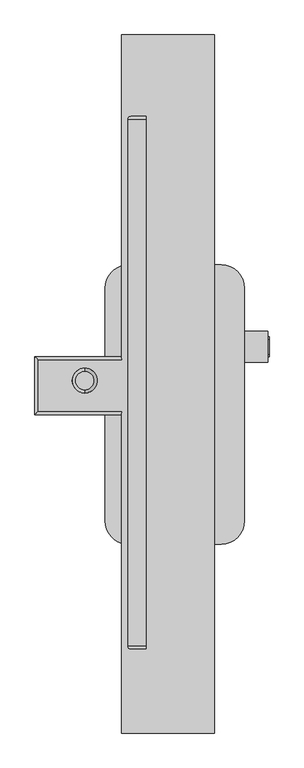
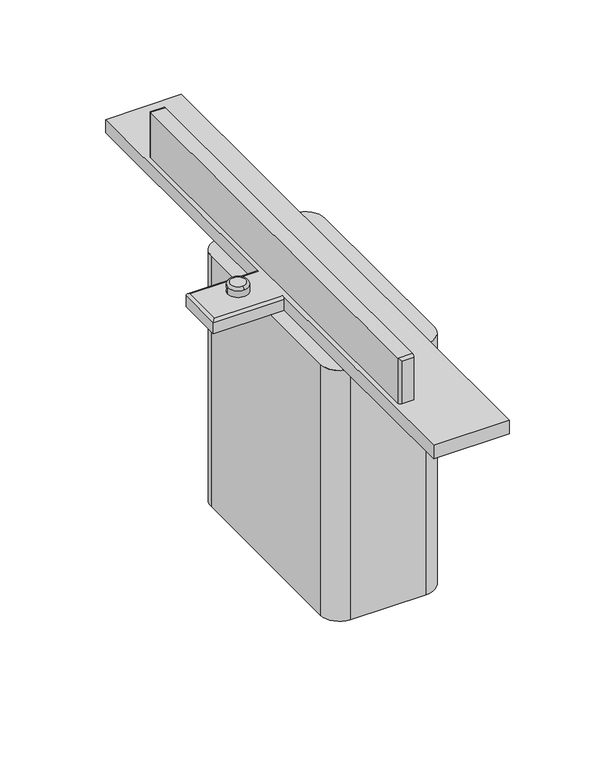
"""IFC4 building model written with IfcOpenShell, lengths in millimetres: proxy geometry."""

from ifc_helpers import new_model, si_unit, point, frame, origin, place, context, project, spatial, circle_curve, ellipse_curve, trimmed, source, transform, mapped, element, save
from ifc_brep_helpers import plane_surface, cylinder_surface, revolved_surface, advanced_brep


def generic_models_c99ebbe6(model_context):
    return source(origin(), model_context, "Body", "AdvancedBrep", [
        advanced_brep(
        [(151.5872026, 11.9965003, -216.9289011), (154.7622026, 11.9965003, -216.9289011), (154.7622026, 56.4465003, -216.9289011), (151.5872026, 56.4465003, -216.9289011), (151.5872026, 18.3465003, -150.7628985), (154.7622026, 18.3465003, -150.7628985), (154.7622026, 50.0965003, -150.7628985), (151.5872026, 50.0965003, -150.7628985), (-275.5153025, -39.8142339, 38.1), (-275.5153025, -39.8142339, 57.15), (-248.5373227, -12.8362541, 57.15), (-221.5593429, -39.8142339, 57.15), (-221.5593429, -39.8142339, 38.1), (-248.5373227, -66.7922137, 57.15), (-248.5373227, -60.4422137, 63.5), (-248.5373227, -19.1862541, 63.5), (-227.9093429, -39.8142339, 63.5), (100.7872026, 68.4430006, -257.8019647), (100.7872026, 68.4430006, -119.3950166), (151.5872026, 68.4430006, -119.3950166), (151.5872026, 68.4430006, -257.8019647), (100.7872026, 0.0, -257.8019647), (151.5872026, 0.0, -257.8019647), (100.7872026, 0.0, -119.3950166), (151.5872026, 0.0, -119.3950166), (-147.7522273, 536.8860503, 158.75), (-147.7522273, 536.8860503, 38.1), (-154.1022273, 530.5360503, 38.1), (-154.1022273, 530.5360503, 165.1), (-115.0360221, 530.5360503, 165.1), (-115.0360221, 536.8860503, 158.75), (-115.0360221, -618.9834289, 165.1), (-115.0360221, -625.3334289, 158.75), (-115.0360221, -625.3334289, 38.1), (-115.0360221, 536.8860503, 38.1), (-154.1022273, -618.9834289, 165.1), (-154.1022273, -618.9834289, 38.1), (-147.7522273, -625.3334289, 38.1), (-147.7522273, -625.3334289, 158.75), (-357.5538462, -114.2999996, 31.75), (-168.1203429, -114.2999996, 31.75), (-168.1203429, -107.9499996, 38.1), (-351.2038462, -107.9499996, 38.1), (-357.5538462, 12.7000004, 31.75), (-351.2038462, 6.3500004, 38.1), (-168.1203429, 6.3500004, 38.1), (-168.1203429, 12.7000004, 31.75), (-357.5538462, -114.2999996, 0.0), (-204.0127974, -114.2999996, 0.0), (-168.1203429, -114.2999996, 0.0), (-357.5538462, 12.7000004, 0.0), (-168.1203429, 12.7000004, 0.0), (-204.0127974, 12.7000004, 0.0), (-168.1203429, 210.7170131, 0.0), (-204.0127974, 162.1536, 0.0), (-168.1203429, 714.9766525, 38.1), (-168.1203429, 714.9766525, 0.0), (-153.2127974, 212.9536, 0.0), (35.0796571, 714.9766525, 0.0), (35.0796571, 212.9536, 0.0), (-168.1203429, -394.4098131, 0.0), (-153.2127974, -396.6464, 0.0), (35.0796571, -396.6464, 0.0), (35.0796571, -809.0233475, 0.0), (-168.1203429, -809.0233475, 0.0), (-168.1203429, -809.0233475, 38.1), (35.0796571, 714.9766525, 38.1), (35.0796571, -809.0233475, 38.1), (49.9872026, -396.6464, 0.0), (100.7872026, -345.8464, 0.0), (100.7872026, 162.1536, 0.0), (49.9872026, 212.9536, 0.0), (-204.0127974, -345.8464, 0.0), (49.9872026, -396.6464, -711.2), (100.7872026, -345.8464, -711.2), (100.7872026, 162.1536, -711.2), (49.9872026, 212.9536, -711.2), (-153.2127974, 212.9536, -711.2), (-204.0127974, 162.1536, -711.2), (-204.0127974, -345.8464, -711.2), (-153.2127974, -396.6464, -711.2)],
        [
            (0, 1),
            (1, 2, circle_curve(frame((154.7622026, 34.2215003, -216.9289011), z_axis=(-1.0, 0.0, 0.0), x_axis=(0.0, -0.9999999999999999, 0.0)), 22.225)),
            (2, 3),
            (3, 0, circle_curve(frame((151.5872026, 34.2215003, -216.9289011), z_axis=(1.0, 0.0, 0.0), x_axis=(0.0, -0.9999999999999999, 0.0)), 22.225)),
            (4, 5),
            (5, 6, circle_curve(frame((154.7622026, 34.2215003, -150.7628985), z_axis=(-1.0, 0.0, 0.0), x_axis=(0.0, -1.0, 0.0)), 15.875)),
            (6, 7),
            (7, 4, circle_curve(frame((151.5872026, 34.2215003, -150.7628985), z_axis=(1.0, 0.0, 0.0), x_axis=(0.0, -1.0, 0.0)), 15.875)),
            (8, 9),
            (9, 10, circle_curve(frame((-248.5373227, -39.8142339, 57.15), z_axis=(0.0, 0.0, -1.0), x_axis=(-1.0, 0.0, 0.0)), 26.9779798)),
            (10, 11, circle_curve(frame((-248.5373227, -39.8142339, 57.15), z_axis=(0.0, 0.0, -1.0), x_axis=(-1.0, 0.0, 0.0)), 26.9779798)),
            (11, 12),
            (12, 8, circle_curve(frame((-248.5373227, -39.8142339, 38.1), z_axis=(0.0, 0.0, 1.0), x_axis=(-1.0, 0.0, 0.0)), 26.9779798)),
            (13, 14, circle_curve(frame((-248.5373227, -60.4422137, 57.15), z_axis=(-1.0, 0.0, 0.0), x_axis=(0.0, -1.0, 0.0)), 6.35)),
            (14, 15, circle_curve(frame((-248.5373227, -39.8142339, 63.5), z_axis=(0.0, 0.0, -1.0), x_axis=(0.0, -1.0, 0.0)), 20.6279798)),
            (15, 10, circle_curve(frame((-248.5373227, -19.1862541, 57.15), z_axis=(-1.0, 0.0, 0.0), x_axis=(0.0, 1.0, 0.0)), 6.35)),
            (9, 13, circle_curve(frame((-248.5373227, -39.8142339, 57.15), z_axis=(0.0, 0.0, 1.0), x_axis=(0.0, -1.0, 0.0)), 26.9779798)),
            (13, 11, circle_curve(frame((-248.5373227, -39.8142339, 57.15), z_axis=(0.0, 0.0, 1.0), x_axis=(0.0, -1.0, 0.0)), 26.9779798)),
            (15, 16, circle_curve(frame((-248.5373227, -39.8142339, 63.5), z_axis=(0.0, 0.0, -1.0), x_axis=(0.0, -1.0, 0.0)), 20.6279798)),
            (16, 14, circle_curve(frame((-248.5373227, -39.8142339, 63.5), z_axis=(0.0, 0.0, -1.0), x_axis=(0.0, -1.0, 0.0)), 20.6279798)),
            (8, 12, circle_curve(frame((-248.5373227, -39.8142339, 38.1), z_axis=(0.0, 0.0, 1.0), x_axis=(-1.0, 0.0, 0.0)), 26.9779798)),
            (4, 7, circle_curve(frame((151.5872026, 34.2215003, -150.7628985), z_axis=(1.0, 0.0, 0.0), x_axis=(0.0, -1.0, 0.0)), 15.875)),
            (6, 5, circle_curve(frame((154.7622026, 34.2215003, -150.7628985), z_axis=(-1.0, 0.0, 0.0), x_axis=(0.0, -1.0, 0.0)), 15.875)),
            (0, 3, circle_curve(frame((151.5872026, 34.2215003, -216.9289011), z_axis=(1.0, 0.0, 0.0), x_axis=(0.0, -0.9999999999999999, 0.0)), 22.225)),
            (2, 1, circle_curve(frame((154.7622026, 34.2215003, -216.9289011), z_axis=(-1.0, 0.0, 0.0), x_axis=(0.0, -0.9999999999999999, 0.0)), 22.225)),
            (17, 18),
            (18, 19),
            (19, 20),
            (20, 17),
            (21, 17),
            (20, 22),
            (22, 21),
            (23, 21),
            (22, 24),
            (24, 23),
            (18, 23),
            (24, 19),
            (25, 26),
            (26, 27, circle_curve(frame((-147.7522273, 530.5360503, 38.1), z_axis=(0.0, 0.0, 1.0), x_axis=(-0.7071067811865535, 0.7071067811865416, 0.0)), 6.35)),
            (27, 28),
            (28, 25, ellipse_curve(frame((-147.7522273, 530.5360503, 158.75), z_axis=(-0.7071067811865475, 0.0, -0.7071067811865475), x_axis=(-0.7071067811865474, 0.0, 0.7071067811865476)), 8.9802561, 6.35)),
            (28, 29),
            (29, 30, circle_curve(frame((-115.0360221, 530.5360503, 158.75), z_axis=(-1.0, 0.0, 0.0), x_axis=(0.0, 0.7071067811865495, 0.7071067811865457)), 6.35)),
            (30, 25),
            (29, 31),
            (31, 32, circle_curve(frame((-115.0360221, -618.9834289, 158.75), z_axis=(1.0, 0.0, 0.0), x_axis=(0.0, -0.7071067811865495, 0.7071067811865457)), 6.35)),
            (32, 33),
            (33, 34),
            (34, 30),
            (28, 35),
            (35, 31),
            (27, 36),
            (36, 35),
            (36, 37, circle_curve(frame((-147.7522273, -618.9834289, 38.1), z_axis=(0.0, 0.0, 1.0), x_axis=(-0.7071067811865436, -0.7071067811865515, 0.0)), 6.35)),
            (37, 38),
            (38, 35, ellipse_curve(frame((-147.7522273, -618.9834289, 158.75), z_axis=(-0.7071067811865475, 0.0, -0.7071067811865475), x_axis=(-0.7071067811865474, 0.0, 0.7071067811865476)), 8.9802561, 6.35)),
            (38, 32),
            (37, 33),
            (34, 26),
            (39, 40),
            (40, 41, circle_curve(frame((-168.1203429, -107.9499996, 31.75), z_axis=(-1.0, 0.0, 0.0), x_axis=(0.0, -0.7071067811865466, 0.7071067811865486)), 6.35)),
            (41, 42),
            (42, 39, ellipse_curve(frame((-351.2038462, -107.9499996, 31.75), z_axis=(0.7071067811865475, -0.7071067811865475, 0.0), x_axis=(0.7071067811865476, 0.7071067811865474, 0.0)), 8.9802561, 6.35)),
            (43, 39),
            (42, 44),
            (44, 43, ellipse_curve(frame((-351.2038462, 6.3500004, 31.75), z_axis=(-0.7071067811865475, -0.7071067811865475, 0.0), x_axis=(0.7071067811865474, -0.7071067811865476, 0.0)), 8.9802561, 6.35)),
            (44, 45),
            (45, 46, circle_curve(frame((-168.1203429, 6.3500004, 31.75), z_axis=(-1.0, 0.0, 0.0), x_axis=(0.0, 0.7071067811865476, 0.7071067811865476)), 6.35)),
            (46, 43),
            (39, 47),
            (47, 48),
            (48, 49),
            (49, 40),
            (43, 50),
            (50, 47),
            (46, 51),
            (51, 52),
            (52, 50),
            (52, 48),
            (51, 53),
            (53, 54, circle_curve(frame((-153.2127974, 162.1536, 0.0), z_axis=(0.0, 0.0, 1.0), x_axis=(0.0, 1.0, 0.0)), 50.8)),
            (54, 52),
            (45, 55),
            (55, 56),
            (56, 53),
            (57, 53, circle_curve(frame((-153.2127974, 162.1536, 0.0), z_axis=(0.0, 0.0, 1.0), x_axis=(0.0, 1.0, 0.0)), 50.8)),
            (56, 58),
            (58, 59),
            (59, 57),
            (60, 61, circle_curve(frame((-153.2127974, -345.8464, 0.0), z_axis=(0.0, 0.0, 1.0), x_axis=(-1.0, 0.0, 0.0)), 50.8)),
            (61, 62),
            (62, 63),
            (63, 64),
            (64, 60),
            (49, 60),
            (64, 65),
            (65, 41),
            (55, 66),
            (66, 58),
            (62, 59),
            (66, 67),
            (67, 63),
            (67, 65),
            (62, 68),
            (68, 69, circle_curve(frame((49.9872026, -345.8464, 0.0), z_axis=(0.0, 0.0, 1.0), x_axis=(0.0, -1.0, 0.0)), 50.8)),
            (69, 70),
            (70, 71, circle_curve(frame((49.9872026, 162.1536, 0.0), z_axis=(0.0, 0.0, 1.0), x_axis=(1.0, 0.0, 0.0)), 50.8)),
            (71, 59),
            (48, 72),
            (72, 60, circle_curve(frame((-153.2127974, -345.8464, 0.0), z_axis=(0.0, 0.0, 1.0), x_axis=(-1.0, 0.0, 0.0)), 50.8)),
            (68, 73),
            (73, 74, circle_curve(frame((49.9872026, -345.8464, -711.2), z_axis=(0.0, 0.0, 1.0), x_axis=(0.0, -1.0, 0.0)), 50.8)),
            (74, 69),
            (74, 75),
            (75, 70),
            (75, 76, circle_curve(frame((49.9872026, 162.1536, -711.2), z_axis=(0.0, 0.0, 1.0), x_axis=(1.0, 0.0, 0.0)), 50.8)),
            (76, 71),
            (76, 77),
            (77, 57),
            (77, 78, circle_curve(frame((-153.2127974, 162.1536, -711.2), z_axis=(0.0, 0.0, 1.0), x_axis=(0.0, 1.0, 0.0)), 50.8)),
            (78, 54),
            (78, 79),
            (79, 72),
            (79, 80, circle_curve(frame((-153.2127974, -345.8464, -711.2), z_axis=(0.0, 0.0, 1.0), x_axis=(-1.0, 0.0, 0.0)), 50.8)),
            (80, 61),
            (80, 73),
        ],
        [
            cylinder_surface(frame((151.5872026, 34.2215003, -216.9289011), z_axis=(1.0, 0.0, 0.0), x_axis=(0.0, -0.9999999999999999, 0.0)), 22.225),
            cylinder_surface(frame((151.5872026, 34.2215003, -150.7628985), z_axis=(1.0, 0.0, 0.0), x_axis=(0.0, -1.0, 0.0)), 15.875),
            cylinder_surface(frame((-248.5373227, -39.8142339, 38.1), z_axis=(0.0, 0.0, 1.0), x_axis=(-1.0, 0.0, 0.0)), 26.9779798),
            revolved_surface(trimmed(ellipse_curve(frame((-248.5373227, -60.4422137, 57.15), z_axis=(-1.0, 0.0, 0.0), x_axis=(0.0, -1.0, 0.0)), 6.35, 6.35), [point((-248.5373227, -66.7922137, 57.15))], [point((-248.5373227, -60.4422137, 63.5))], True, "CARTESIAN"), (-248.5373227, -39.8142339, 57.15), (0.0, 0.0, 1.0)),
            plane_surface(frame((-248.5373227, -39.8142339, 63.5), z_axis=(0.0, 0.0, 1.0), x_axis=(0.0, -1.0, 0.0))),
            plane_surface(frame((154.7622026, 34.2215003, -150.7628985), z_axis=(1.0, 0.0, 0.0), x_axis=(0.0, 1.0, 0.0))),
            plane_surface(frame((154.7622026, 34.2215003, -216.9289011), z_axis=(1.0, 0.0, 0.0), x_axis=(0.0, 1.0, 0.0))),
            plane_surface(frame((100.7872026, 68.4430006, -257.8019647), z_axis=(0.0, 1.0, 0.0), x_axis=(0.0, 0.0, 1.0))),
            plane_surface(frame((100.7872026, 0.0, -257.8019647), z_axis=(0.0, 0.0, -1.0), x_axis=(0.0, 1.0, 0.0))),
            plane_surface(frame((100.7872026, 0.0, -119.3950166), z_axis=(0.0, -1.0, 0.0), x_axis=(0.0, 0.0, -1.0))),
            plane_surface(frame((100.7872026, 68.4430006, -119.3950166), z_axis=(0.0, 0.0, 1.0), x_axis=(0.0, -1.0, 0.0))),
            plane_surface(frame((151.5872026, 34.2215003, -188.5984906), z_axis=(1.0, 0.0, 0.0), x_axis=(0.0, 1.0, 0.0))),
            cylinder_surface(frame((-147.7522273, 530.5360503, 38.1), z_axis=(0.0, 0.0, 1.0), x_axis=(-0.7071067811865535, 0.7071067811865416, 0.0)), 6.35),
            cylinder_surface(frame((-124.8025734, 530.5360503, 158.75), z_axis=(-1.0, 0.0, 0.0), x_axis=(0.0, 0.7071067811865495, 0.7071067811865457)), 6.35),
            plane_surface(frame((-115.0360221, -625.3334289, 38.1), z_axis=(1.0, 0.0, 0.0), x_axis=(0.0, 1.0, 0.0))),
            plane_surface(frame((-134.5691247, -44.2236893, 165.1), z_axis=(0.0, 0.0, 1.0), x_axis=(0.0, -1.0, 0.0))),
            plane_surface(frame((-154.1022273, 536.8860503, 38.1), z_axis=(-1.0, 0.0, 0.0), x_axis=(0.0, -1.0, 0.0))),
            cylinder_surface(frame((-147.7522273, -618.9834289, 38.1), z_axis=(0.0, 0.0, 1.0), x_axis=(-0.7071067811865436, -0.7071067811865515, 0.0)), 6.35),
            cylinder_surface(frame((-144.335676, -618.9834289, 158.75), z_axis=(1.0, 0.0, 0.0), x_axis=(0.0, -0.7071067811865495, 0.7071067811865457)), 6.35),
            plane_surface(frame((-154.1022273, -625.3334289, 38.1), z_axis=(0.0, -1.0, 0.0), x_axis=(1.0, 0.0, 0.0))),
            plane_surface(frame((-115.0360221, 536.8860503, 38.1), z_axis=(0.0, 1.0, 0.0), x_axis=(-1.0, 0.0, 0.0))),
            cylinder_surface(frame((-212.0370945, -107.9499996, 31.75), z_axis=(1.0, 0.0, 0.0), x_axis=(0.0, -0.7071067811865466, 0.7071067811865486)), 6.35),
            cylinder_surface(frame((-351.2038462, -17.1616735, 31.75), z_axis=(0.0, -1.0, 0.0), x_axis=(-0.7071067811865505, 0.0, 0.7071067811865446)), 6.35),
            cylinder_surface(frame((-110.4370945, 6.3500004, 31.75), z_axis=(-1.0, 0.0, 0.0), x_axis=(0.0, 0.7071067811865476, 0.7071067811865476)), 6.35),
            plane_surface(frame((-357.5538462, -114.2999996, 0.0), z_axis=(0.0, -1.0, 0.0), x_axis=(1.0, 0.0, 0.0))),
            plane_surface(frame((-357.5538462, 12.7000004, 0.0), z_axis=(-1.0, 0.0, 0.0), x_axis=(0.0, -1.0, 0.0))),
            plane_surface(frame((-154.3538462, 12.7000004, 0.0), z_axis=(0.0, 1.0, 0.0), x_axis=(-1.0, 0.0, 0.0))),
            plane_surface(frame((-255.9538462, -50.7999996, 0.0), z_axis=(0.0, 0.0, -1.0), x_axis=(0.0, 1.0, 0.0))),
            plane_surface(frame((-51.6127974, -91.8464, 0.0), z_axis=(0.0, 0.0, 1.0), x_axis=(0.0, 1.0, 0.0))),
            plane_surface(frame((-168.1203429, 714.9766525, 0.0), z_axis=(-1.0, 0.0, 0.0), x_axis=(0.0, -1.0, 0.0))),
            plane_surface(frame((-66.5203429, -47.0233475, 0.0), z_axis=(0.0, 0.0, -1.0), x_axis=(0.0, -1.0, 0.0))),
            plane_surface(frame((35.0796571, 714.9766525, 0.0), z_axis=(0.0, 1.0, 0.0), x_axis=(-1.0, 0.0, 0.0))),
            plane_surface(frame((35.0796571, -809.0233475, 0.0), z_axis=(1.0, 0.0, 0.0), x_axis=(0.0, 1.0, 0.0))),
            plane_surface(frame((-168.1203429, -809.0233475, 0.0), z_axis=(0.0, -1.0, 0.0), x_axis=(1.0, 0.0, 0.0))),
            plane_surface(frame((-66.5203429, -47.0233475, 38.1), z_axis=(0.0, 0.0, 1.0), x_axis=(0.0, -1.0, 0.0))),
            cylinder_surface(frame((49.9872026, -345.8464, 0.0), z_axis=(0.0, 0.0, -1.0), x_axis=(0.0, -1.0, 0.0)), 50.8),
            plane_surface(frame((100.7872026, 162.1536, 0.0), z_axis=(1.0, 0.0, 0.0), x_axis=(0.0, -1.0, 0.0))),
            cylinder_surface(frame((49.9872026, 162.1536, 0.0), z_axis=(0.0, 0.0, -1.0), x_axis=(1.0, 0.0, 0.0)), 50.8),
            plane_surface(frame((-153.2127974, 212.9536, 0.0), z_axis=(0.0, 1.0, 0.0), x_axis=(1.0, 0.0, 0.0))),
            cylinder_surface(frame((-153.2127974, 162.1536, 0.0), z_axis=(0.0, 0.0, -1.0), x_axis=(0.0, 1.0, 0.0)), 50.8),
            plane_surface(frame((-204.0127974, -345.8464, 0.0), z_axis=(-1.0, 0.0, 0.0), x_axis=(0.0, 1.0, 0.0))),
            cylinder_surface(frame((-153.2127974, -345.8464, 0.0), z_axis=(0.0, 0.0, -1.0), x_axis=(-1.0, 0.0, 0.0)), 50.8),
            plane_surface(frame((49.9872026, -396.6464, 0.0), z_axis=(0.0, -1.0, 0.0), x_axis=(-1.0, 0.0, 0.0))),
            plane_surface(frame((-51.6127974, -91.8464, -711.2), z_axis=(0.0, 0.0, -1.0), x_axis=(0.0, 1.0, 0.0))),
        ],
        [
            (0, [[1, 2, 3, 4]]),
            (1, [[5, 6, 7, 8]]),
            (2, [[9, 10, 11, 12, 13]]),
            (3, [[14, 15, 16, -10, 17]]),
            (3, [[-14, 18, -11, -16, 19, 20]]),
            (2, [[-9, 21, -12, -18, -17]]),
            (4, [[-20, -19, -15]]),
            (1, [[-5, 22, -7, 23]]),
            (5, [[-6, -23]]),
            (0, [[-1, 24, -3, 25]]),
            (6, [[-2, -25]]),
            (7, [[26, 27, 28, 29]]),
            (8, [[30, -29, 31, 32]]),
            (9, [[33, -32, 34, 35]]),
            (10, [[36, -35, 37, -27]]),
            (11, [[-37, -34, -31, -28], [-22, -8], [-24, -4]]),
            (12, [[38, 39, 40, 41]]),
            (13, [[42, 43, 44, -41]]),
            (14, [[-43, 45, 46, 47, 48, 49]]),
            (15, [[-42, 50, 51, -45]]),
            (16, [[-40, 52, 53, -50]]),
            (17, [[-53, 54, 55, 56]]),
            (18, [[57, -46, -51, -56]]),
            (19, [[-55, 58, -47, -57]]),
            (20, [[-44, -49, 59, -38]]),
            (21, [[60, 61, 62, 63]]),
            (22, [[64, -63, 65, 66]]),
            (23, [[67, 68, 69, -66]]),
            (24, [[-60, 70, 71, 72, 73]]),
            (25, [[-64, 74, 75, -70]]),
            (26, [[-69, 76, 77, 78, -74]]),
            (27, [[79, -71, -75, -78]]),
            (28, [[-77, 80, 81, 82]]),
            (29, [[-76, -68, 83, 84, 85, -80]]),
            (30, [[86, -85, 87, 88, 89]]),
            (30, [[90, 91, 92, 93, 94]]),
            (29, [[-73, 95, -94, 96, 97, -61]]),
            (31, [[-87, -84, 98, 99]]),
            (32, [[-92, 100, -88, -99, 101, 102]]),
            (33, [[-93, -102, 103, -96]]),
            (34, [[-97, -103, -101, -98, -83, -67, -65, -62], [-21, -13], [-48, -58, -54, -52, -39, -59]]),
            (28, [[-100, 104, 105, 106, 107, 108]]),
            (28, [[-72, 109, 110, -95]]),
            (35, [[-105, 111, 112, 113]]),
            (36, [[-106, -113, 114, 115], [-26, -30, -33, -36]]),
            (37, [[-107, -115, 116, 117]]),
            (38, [[-108, -117, 118, 119, -89]]),
            (39, [[-86, -119, 120, 121, -81]]),
            (40, [[-82, -121, 122, 123, -109, -79]]),
            (41, [[-110, -123, 124, 125, -90]]),
            (42, [[-91, -125, 126, -111, -104]]),
            (43, [[-126, -124, -122, -120, -118, -116, -114, -112]]),
        ],
    ),
    ])


if __name__ == "__main__":
    model = new_model("IFC4")
    model_context = context("Model", 3, world=origin())
    ifc_project = project(units=[si_unit("LENGTHUNIT", "METRE", prefix="MILLI")], contexts=[model_context])
    site = spatial("IfcSite", under=ifc_project)
    building = spatial("IfcBuilding", under=site)
    placement = place(None, origin())
    generic_models_shape = generic_models_c99ebbe6(model_context)
    element("IfcBuildingElementProxy", 1, Name="Generic Models", at=placement, inside=building, context=model_context, shape_type="MappedRepresentation", body=[
        mapped(generic_models_shape, transform((0.0, 0.0, 0.0), x_axis=(1.0, 0.0, 0.0), y_axis=(0.0, 1.0, 0.0), z_axis=(0.0, 0.0, 1.0))),
    ])
    save(model, "model.ifc")
